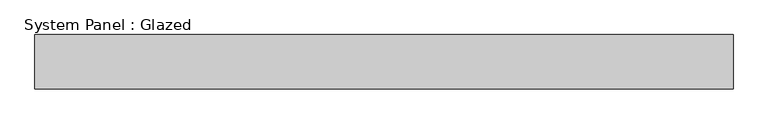
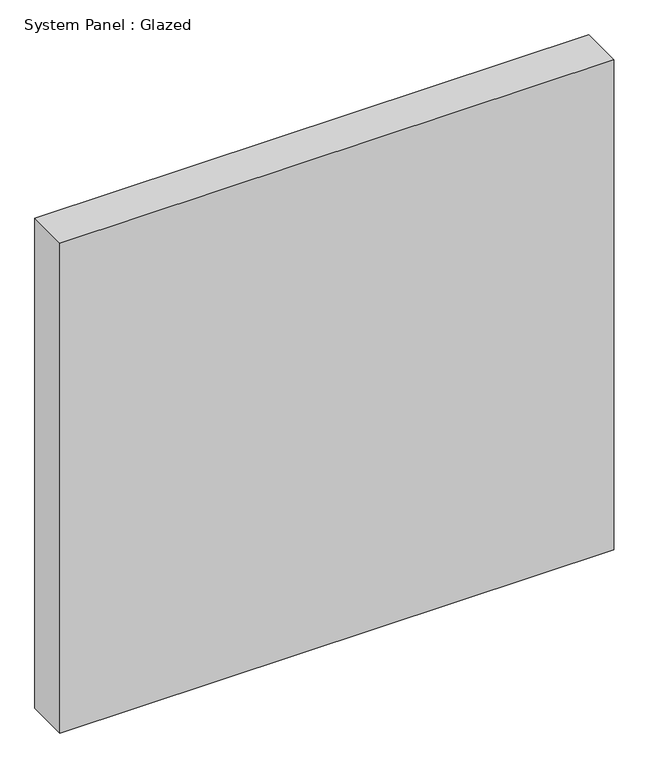
"""IFC4 building model written with IfcOpenShell, lengths in millimetres: plate geometry, System Panel : Glazed."""

import ifcopenshell
import ifcopenshell.guid

model = None  # the IFC model being written
_history = None  # IfcOwnerHistory: only IFC2X3 demands one
_inside = {}  # id of a spatial element -> (the spatial element, [elements in it])
_under = {}  # id of a project, library or spatial element -> (it, [spatial elements below it])
_declared = {}  # id of a project -> (the project, [libraries it declares])
_typed = {}  # id of a type object -> (the type object, [elements of that type])
_made_of = {}  # id of a material, layer set ... -> (it, [elements and type objects made of it])


def new_model(schema):
    """Start an empty IFC model of exactly this schema.

    Asked for "IFC4X3", IfcOpenShell would pick the latest addendum, in which some entities
    have other attributes; the version numbers below select the first issue.
    IFC2X3 requires an IfcOwnerHistory on every rooted entity: one is made here for all.
    """
    global model, _history
    if schema == "IFC4X3":
        model = ifcopenshell.file(schema_version=(4, 3, 0, 0))
    else:
        model = ifcopenshell.file(schema=schema)
    _inside.clear()
    _under.clear()
    _declared.clear()
    _typed.clear()
    _made_of.clear()
    _history = None
    if model.schema == "IFC2X3":
        org = make("IfcOrganization", Name="unknown")
        user = make(
            "IfcPersonAndOrganization",
            ThePerson=make("IfcPerson", FamilyName="unknown"),
            TheOrganization=org,
        )
        app = make(
            "IfcApplication",
            ApplicationDeveloper=org,
            Version="unknown",
            ApplicationFullName="unknown",
            ApplicationIdentifier="unknown",
        )
        _history = make(
            "IfcOwnerHistory",
            OwningUser=user,
            OwningApplication=app,
            ChangeAction="ADDED",
            CreationDate=0,
        )
    return model


def make(cls, **values):
    """One entity of the class cls with the attributes given. An attribute that is None is left unset."""
    return model.create_entity(
        cls, **{name: value for name, value in values.items() if value is not None}
    )


def rooted(cls, **values):
    """An entity with a GlobalId (a new one), such as an element, a storey or a relation."""
    return make(cls, GlobalId=ifcopenshell.guid.new(), OwnerHistory=_history, **values)


def si_unit(unit_type, name, prefix=None):
    """IfcSIUnit, for example si_unit("LENGTHUNIT", "METRE", prefix="MILLI")."""
    return make("IfcSIUnit", UnitType=unit_type, Prefix=prefix, Name=name)


def assignment(units):
    """IfcUnitAssignment: the units of a project."""
    return None if units is None else make("IfcUnitAssignment", Units=units)


def point(xyz):
    """IfcCartesianPoint."""
    return None if xyz is None else make("IfcCartesianPoint", Coordinates=xyz)


def direction(xyz):
    """IfcDirection."""
    return None if xyz is None else make("IfcDirection", DirectionRatios=xyz)


def frame(location, z_axis=None, x_axis=None):
    """IfcAxis2Placement3D, a coordinate frame: its origin and axes. An axis left out is left unset."""
    return make(
        "IfcAxis2Placement3D",
        Location=point(location),
        Axis=direction(z_axis),
        RefDirection=direction(x_axis),
    )


def origin():
    """The frame at (0, 0, 0) with its axes left unset."""
    return frame((0.0, 0.0, 0.0))


def origin_with_axes():
    """The frame at (0, 0, 0) with the z axis (0, 0, 1) and the x axis (1, 0, 0) written out."""
    return frame((0.0, 0.0, 0.0), z_axis=(0.0, 0.0, 1.0), x_axis=(1.0, 0.0, 0.0))


def place(relative_to, where):
    """IfcLocalPlacement: puts the frame where relative to a parent placement (None: the world)."""
    return make(
        "IfcLocalPlacement", PlacementRelTo=relative_to, RelativePlacement=where
    )


def context(
    kind, dimensions, precision=None, world=None, true_north=None, identifier=None
):
    """IfcGeometricRepresentationContext, for example the 3D "Model" context."""
    return make(
        "IfcGeometricRepresentationContext",
        ContextIdentifier=identifier,
        ContextType=kind,
        CoordinateSpaceDimension=dimensions,
        Precision=precision,
        WorldCoordinateSystem=world,
        TrueNorth=true_north,
    )


def project(units=None, contexts=None):
    """IfcProject with its units and contexts."""
    return rooted(
        "IfcProject",
        Name="project",
        RepresentationContexts=contexts,
        UnitsInContext=assignment(units),
    )


def spatial(cls, under=None, at=None, **own):
    """A site, building, storey or space (cls), placed at a placement, below another one or the project."""
    s = rooted(cls, ObjectPlacement=at, **own)
    if under is not None:
        _under.setdefault(under.id(), (under, []))[1].append(s)
    return s


def polyline(points):
    """IfcPolyline through the points."""
    return make("IfcPolyline", Points=[point(p) for p in points])


def outline(outer, holes=None, kind="AREA"):
    """IfcArbitraryClosedProfileDef: a profile drawn as a closed curve; with holes, ...WithVoids."""
    if holes is None:
        return make("IfcArbitraryClosedProfileDef", ProfileType=kind, OuterCurve=outer)
    return make(
        "IfcArbitraryProfileDefWithVoids",
        ProfileType=kind,
        OuterCurve=outer,
        InnerCurves=holes,
    )


def extrude(swept, where, along, depth):
    """IfcExtrudedAreaSolid: the profile swept, set in the frame where, extruded along a direction by depth."""
    return make(
        "IfcExtrudedAreaSolid",
        SweptArea=swept,
        Position=where,
        ExtrudedDirection=direction(along),
        Depth=depth,
    )


def shape(context_of_items, identifier, shape_type, items):
    """IfcShapeRepresentation: the items that make up one representation, for example the "Body"."""
    return make(
        "IfcShapeRepresentation",
        ContextOfItems=context_of_items,
        RepresentationIdentifier=identifier,
        RepresentationType=shape_type,
        Items=items,
    )


def source(mapping_origin, context_of_items, identifier, shape_type, items):
    """IfcRepresentationMap: a shape defined once, which mapped items show again and again."""
    return make(
        "IfcRepresentationMap",
        MappingOrigin=mapping_origin,
        MappedRepresentation=shape(context_of_items, identifier, shape_type, items),
    )


def transform(
    local_origin,
    x_axis=None,
    y_axis=None,
    z_axis=None,
    scale=None,
    scale2=None,
    scale3=None,
    uniform=True,
):
    """IfcCartesianTransformationOperator3D, or its non-uniform kind. x_axis, y_axis, z_axis: its Axis1, 2, 3."""
    if uniform:
        return make(
            "IfcCartesianTransformationOperator3D",
            Axis1=direction(x_axis),
            Axis2=direction(y_axis),
            LocalOrigin=point(local_origin),
            Scale=scale,
            Axis3=direction(z_axis),
        )
    return make(
        "IfcCartesianTransformationOperator3DnonUniform",
        Axis1=direction(x_axis),
        Axis2=direction(y_axis),
        LocalOrigin=point(local_origin),
        Scale=scale,
        Axis3=direction(z_axis),
        Scale2=scale2,
        Scale3=scale3,
    )


def mapped(mapping_source, mapping_target):
    """IfcMappedItem: shows the shape of a source again, moved by a transform."""
    return make(
        "IfcMappedItem", MappingSource=mapping_source, MappingTarget=mapping_target
    )


def made_of(thing, what):
    """Note that an element or type object is made of a material, layer set ...; save() writes the relation."""
    if what is not None:
        _made_of.setdefault(what.id(), (what, []))[1].append(thing)
    return thing


def element(
    cls,
    number,
    at=None,
    inside=None,
    cuts=None,
    type_object=None,
    material=None,
    context=None,
    identifier="Body",
    shape_type=None,
    held_by="IfcProductDefinitionShape",
    body=None,
    shapes=None,
    **own,
):
    """One element of the class cls, such as IfcWall. Its Tag is "e" and its number.

    at: its placement. inside: the storey or other place that contains it. cuts: it is an
    opening in that element (IfcRelVoidsElement). A single representation is given by context,
    identifier, shape_type and body (its items); several are given by shapes. held_by: the class
    of the entity that holds the representations. save() writes the other relations.
    """
    e = rooted(cls, Tag="e%d" % number, ObjectPlacement=at, **own)
    if body is not None:
        shapes = [shape(context, identifier, shape_type, body)]
    if shapes is not None:
        e.Representation = make(held_by, Representations=shapes)
    if inside is not None:
        _inside.setdefault(inside.id(), (inside, []))[1].append(e)
    if cuts is not None:
        rooted(
            "IfcRelVoidsElement", RelatingBuildingElement=cuts, RelatedOpeningElement=e
        )
    if type_object is not None:
        _typed.setdefault(type_object.id(), (type_object, []))[1].append(e)
    return made_of(e, material)


def aggregate(whole, parts):
    """IfcRelAggregates: a whole, such as a stair, and the parts it consists of."""
    return rooted("IfcRelAggregates", RelatingObject=whole, RelatedObjects=parts)


def save(model, path):
    """Write the relations noted so far, then the file.

    IfcRelAggregates (storeys below a building ...), IfcRelContainedInSpatialStructure (elements
    in a storey), IfcRelDefinesByType, IfcRelAssociatesMaterial and IfcRelDeclares: one each for
    every whole, place, type object, material and project.
    """
    for whole, parts in _under.values():
        aggregate(whole, parts)
    for where, things in _inside.values():
        rooted(
            "IfcRelContainedInSpatialStructure",
            RelatedElements=things,
            RelatingStructure=where,
        )
    for kind, things in _typed.values():
        rooted("IfcRelDefinesByType", RelatedObjects=things, RelatingType=kind)
    for what, things in _made_of.values():
        rooted("IfcRelAssociatesMaterial", RelatedObjects=things, RelatingMaterial=what)
    for by, libraries in _declared.values():
        rooted("IfcRelDeclares", RelatingContext=by, RelatedDefinitions=libraries)
    model.write(path)


def system_panel_glazed_b9559296(model_context):
    return source(origin(), model_context, "Body", "SweptSolid", [
        extrude(outline(polyline([(641.6666667, 50.0), (-641.6666667, 50.0), (-641.6666667, 150.0), (641.6666667, 150.0), (641.6666667, 50.0)])), origin_with_axes(), (0.0, 0.0, 1.0), 1200.0),
    ])


if __name__ == "__main__":
    model = new_model("IFC4")
    model_context = context("Model", 3, world=origin())
    ifc_project = project(units=[si_unit("LENGTHUNIT", "METRE", prefix="MILLI")], contexts=[model_context])
    site = spatial("IfcSite", under=ifc_project)
    building = spatial("IfcBuilding", under=site)
    placement = place(None, origin())
    system_panel_glazed_shape = system_panel_glazed_b9559296(model_context)
    element("IfcPlate", 1, ObjectType="System Panel : Glazed", at=placement, inside=building, context=model_context, shape_type="MappedRepresentation", body=[
        mapped(system_panel_glazed_shape, transform((0.0, 0.0, 0.0), x_axis=(1.0, 0.0, 0.0), y_axis=(0.0, 1.0, 0.0), z_axis=(0.0, 0.0, 1.0))),
    ])
    save(model, "model.ifc")
